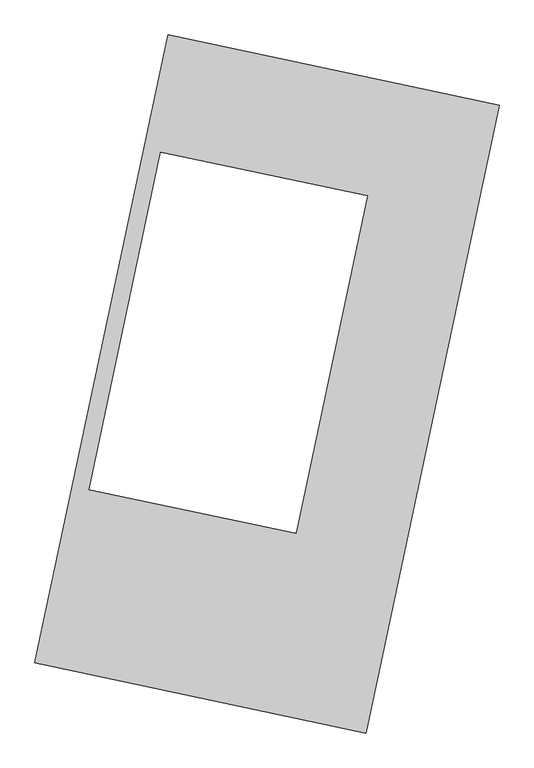
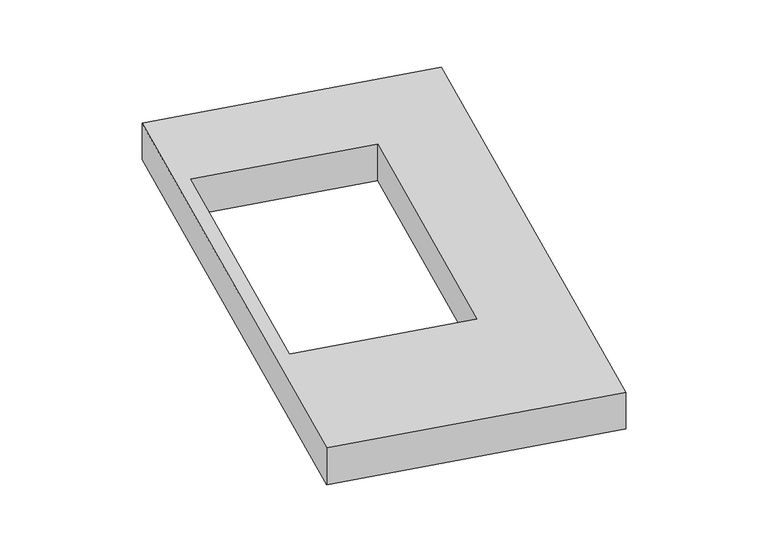
"""IFC4 building model written with IfcOpenShell, lengths in millimetres: proxy geometry."""

import ifcopenshell
import ifcopenshell.guid

model = None  # the IFC model being written
_history = None  # IfcOwnerHistory: only IFC2X3 demands one
_inside = {}  # id of a spatial element -> (the spatial element, [elements in it])
_under = {}  # id of a project, library or spatial element -> (it, [spatial elements below it])
_declared = {}  # id of a project -> (the project, [libraries it declares])
_typed = {}  # id of a type object -> (the type object, [elements of that type])
_made_of = {}  # id of a material, layer set ... -> (it, [elements and type objects made of it])


def new_model(schema):
    """Start an empty IFC model of exactly this schema.

    Asked for "IFC4X3", IfcOpenShell would pick the latest addendum, in which some entities
    have other attributes; the version numbers below select the first issue.
    IFC2X3 requires an IfcOwnerHistory on every rooted entity: one is made here for all.
    """
    global model, _history
    if schema == "IFC4X3":
        model = ifcopenshell.file(schema_version=(4, 3, 0, 0))
    else:
        model = ifcopenshell.file(schema=schema)
    _inside.clear()
    _under.clear()
    _declared.clear()
    _typed.clear()
    _made_of.clear()
    _history = None
    if model.schema == "IFC2X3":
        org = make("IfcOrganization", Name="unknown")
        user = make(
            "IfcPersonAndOrganization",
            ThePerson=make("IfcPerson", FamilyName="unknown"),
            TheOrganization=org,
        )
        app = make(
            "IfcApplication",
            ApplicationDeveloper=org,
            Version="unknown",
            ApplicationFullName="unknown",
            ApplicationIdentifier="unknown",
        )
        _history = make(
            "IfcOwnerHistory",
            OwningUser=user,
            OwningApplication=app,
            ChangeAction="ADDED",
            CreationDate=0,
        )
    return model


def make(cls, **values):
    """One entity of the class cls with the attributes given. An attribute that is None is left unset."""
    return model.create_entity(
        cls, **{name: value for name, value in values.items() if value is not None}
    )


def rooted(cls, **values):
    """An entity with a GlobalId (a new one), such as an element, a storey or a relation."""
    return make(cls, GlobalId=ifcopenshell.guid.new(), OwnerHistory=_history, **values)


def si_unit(unit_type, name, prefix=None):
    """IfcSIUnit, for example si_unit("LENGTHUNIT", "METRE", prefix="MILLI")."""
    return make("IfcSIUnit", UnitType=unit_type, Prefix=prefix, Name=name)


def assignment(units):
    """IfcUnitAssignment: the units of a project."""
    return None if units is None else make("IfcUnitAssignment", Units=units)


def point(xyz):
    """IfcCartesianPoint."""
    return None if xyz is None else make("IfcCartesianPoint", Coordinates=xyz)


def direction(xyz):
    """IfcDirection."""
    return None if xyz is None else make("IfcDirection", DirectionRatios=xyz)


def frame(location, z_axis=None, x_axis=None):
    """IfcAxis2Placement3D, a coordinate frame: its origin and axes. An axis left out is left unset."""
    return make(
        "IfcAxis2Placement3D",
        Location=point(location),
        Axis=direction(z_axis),
        RefDirection=direction(x_axis),
    )


def origin():
    """The frame at (0, 0, 0) with its axes left unset."""
    return frame((0.0, 0.0, 0.0))


def origin_with_axes():
    """The frame at (0, 0, 0) with the z axis (0, 0, 1) and the x axis (1, 0, 0) written out."""
    return frame((0.0, 0.0, 0.0), z_axis=(0.0, 0.0, 1.0), x_axis=(1.0, 0.0, 0.0))


def place(relative_to, where):
    """IfcLocalPlacement: puts the frame where relative to a parent placement (None: the world)."""
    return make(
        "IfcLocalPlacement", PlacementRelTo=relative_to, RelativePlacement=where
    )


def context(
    kind, dimensions, precision=None, world=None, true_north=None, identifier=None
):
    """IfcGeometricRepresentationContext, for example the 3D "Model" context."""
    return make(
        "IfcGeometricRepresentationContext",
        ContextIdentifier=identifier,
        ContextType=kind,
        CoordinateSpaceDimension=dimensions,
        Precision=precision,
        WorldCoordinateSystem=world,
        TrueNorth=true_north,
    )


def project(units=None, contexts=None):
    """IfcProject with its units and contexts."""
    return rooted(
        "IfcProject",
        Name="project",
        RepresentationContexts=contexts,
        UnitsInContext=assignment(units),
    )


def spatial(cls, under=None, at=None, **own):
    """A site, building, storey or space (cls), placed at a placement, below another one or the project."""
    s = rooted(cls, ObjectPlacement=at, **own)
    if under is not None:
        _under.setdefault(under.id(), (under, []))[1].append(s)
    return s


def polyline(points):
    """IfcPolyline through the points."""
    return make("IfcPolyline", Points=[point(p) for p in points])


def outline(outer, holes=None, kind="AREA"):
    """IfcArbitraryClosedProfileDef: a profile drawn as a closed curve; with holes, ...WithVoids."""
    if holes is None:
        return make("IfcArbitraryClosedProfileDef", ProfileType=kind, OuterCurve=outer)
    return make(
        "IfcArbitraryProfileDefWithVoids",
        ProfileType=kind,
        OuterCurve=outer,
        InnerCurves=holes,
    )


def extrude(swept, where, along, depth):
    """IfcExtrudedAreaSolid: the profile swept, set in the frame where, extruded along a direction by depth."""
    return make(
        "IfcExtrudedAreaSolid",
        SweptArea=swept,
        Position=where,
        ExtrudedDirection=direction(along),
        Depth=depth,
    )


def shape(context_of_items, identifier, shape_type, items):
    """IfcShapeRepresentation: the items that make up one representation, for example the "Body"."""
    return make(
        "IfcShapeRepresentation",
        ContextOfItems=context_of_items,
        RepresentationIdentifier=identifier,
        RepresentationType=shape_type,
        Items=items,
    )


def source(mapping_origin, context_of_items, identifier, shape_type, items):
    """IfcRepresentationMap: a shape defined once, which mapped items show again and again."""
    return make(
        "IfcRepresentationMap",
        MappingOrigin=mapping_origin,
        MappedRepresentation=shape(context_of_items, identifier, shape_type, items),
    )


def transform(
    local_origin,
    x_axis=None,
    y_axis=None,
    z_axis=None,
    scale=None,
    scale2=None,
    scale3=None,
    uniform=True,
):
    """IfcCartesianTransformationOperator3D, or its non-uniform kind. x_axis, y_axis, z_axis: its Axis1, 2, 3."""
    if uniform:
        return make(
            "IfcCartesianTransformationOperator3D",
            Axis1=direction(x_axis),
            Axis2=direction(y_axis),
            LocalOrigin=point(local_origin),
            Scale=scale,
            Axis3=direction(z_axis),
        )
    return make(
        "IfcCartesianTransformationOperator3DnonUniform",
        Axis1=direction(x_axis),
        Axis2=direction(y_axis),
        LocalOrigin=point(local_origin),
        Scale=scale,
        Axis3=direction(z_axis),
        Scale2=scale2,
        Scale3=scale3,
    )


def mapped(mapping_source, mapping_target):
    """IfcMappedItem: shows the shape of a source again, moved by a transform."""
    return make(
        "IfcMappedItem", MappingSource=mapping_source, MappingTarget=mapping_target
    )


def made_of(thing, what):
    """Note that an element or type object is made of a material, layer set ...; save() writes the relation."""
    if what is not None:
        _made_of.setdefault(what.id(), (what, []))[1].append(thing)
    return thing


def element(
    cls,
    number,
    at=None,
    inside=None,
    cuts=None,
    type_object=None,
    material=None,
    context=None,
    identifier="Body",
    shape_type=None,
    held_by="IfcProductDefinitionShape",
    body=None,
    shapes=None,
    **own,
):
    """One element of the class cls, such as IfcWall. Its Tag is "e" and its number.

    at: its placement. inside: the storey or other place that contains it. cuts: it is an
    opening in that element (IfcRelVoidsElement). A single representation is given by context,
    identifier, shape_type and body (its items); several are given by shapes. held_by: the class
    of the entity that holds the representations. save() writes the other relations.
    """
    e = rooted(cls, Tag="e%d" % number, ObjectPlacement=at, **own)
    if body is not None:
        shapes = [shape(context, identifier, shape_type, body)]
    if shapes is not None:
        e.Representation = make(held_by, Representations=shapes)
    if inside is not None:
        _inside.setdefault(inside.id(), (inside, []))[1].append(e)
    if cuts is not None:
        rooted(
            "IfcRelVoidsElement", RelatingBuildingElement=cuts, RelatedOpeningElement=e
        )
    if type_object is not None:
        _typed.setdefault(type_object.id(), (type_object, []))[1].append(e)
    return made_of(e, material)


def aggregate(whole, parts):
    """IfcRelAggregates: a whole, such as a stair, and the parts it consists of."""
    return rooted("IfcRelAggregates", RelatingObject=whole, RelatedObjects=parts)


def save(model, path):
    """Write the relations noted so far, then the file.

    IfcRelAggregates (storeys below a building ...), IfcRelContainedInSpatialStructure (elements
    in a storey), IfcRelDefinesByType, IfcRelAssociatesMaterial and IfcRelDeclares: one each for
    every whole, place, type object, material and project.
    """
    for whole, parts in _under.values():
        aggregate(whole, parts)
    for where, things in _inside.values():
        rooted(
            "IfcRelContainedInSpatialStructure",
            RelatedElements=things,
            RelatingStructure=where,
        )
    for kind, things in _typed.values():
        rooted("IfcRelDefinesByType", RelatedObjects=things, RelatingType=kind)
    for what, things in _made_of.values():
        rooted("IfcRelAssociatesMaterial", RelatedObjects=things, RelatingMaterial=what)
    for by, libraries in _declared.values():
        rooted("IfcRelDeclares", RelatingContext=by, RelatedDefinitions=libraries)
    model.write(path)


def generic_models_86c8d47e(model_context):
    return source(origin(), model_context, "Body", "SweptSolid", [
        extrude(outline(polyline([(-617.3692021, 2175.5580432), (1447.7508745, 1737.3010494), (617.3692021, -2175.5580432), (-1447.7508745, -1737.3010494), (-617.3692021, 2175.5580432)]), holes=[polyline([(626.9094352, 1171.9241316), (-662.3376385, 1445.5264045), (-1108.6913487, -657.7463816), (180.555725, -931.3486545), (626.9094352, 1171.9241316)])]), origin_with_axes(), (0.0, 0.0, 1.0), 300.0),
    ])


if __name__ == "__main__":
    model = new_model("IFC4")
    model_context = context("Model", 3, world=origin())
    ifc_project = project(units=[si_unit("LENGTHUNIT", "METRE", prefix="MILLI")], contexts=[model_context])
    site = spatial("IfcSite", under=ifc_project)
    building = spatial("IfcBuilding", under=site)
    placement = place(None, origin())
    generic_models_shape = generic_models_86c8d47e(model_context)
    element("IfcBuildingElementProxy", 1, Name="Generic Models", at=placement, inside=building, context=model_context, shape_type="MappedRepresentation", body=[
        mapped(generic_models_shape, transform((0.0, 0.0, 0.0), x_axis=(1.0, 0.0, 0.0), y_axis=(0.0, 1.0, 0.0), z_axis=(0.0, 0.0, 1.0))),
    ])
    save(model, "model.ifc")
